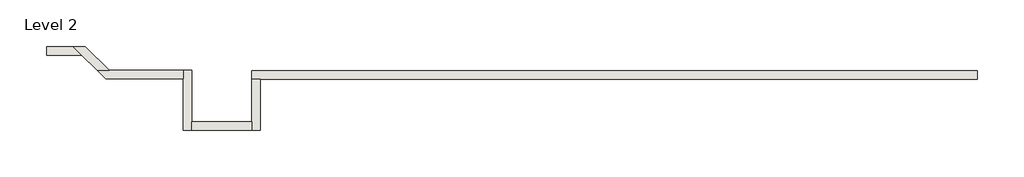
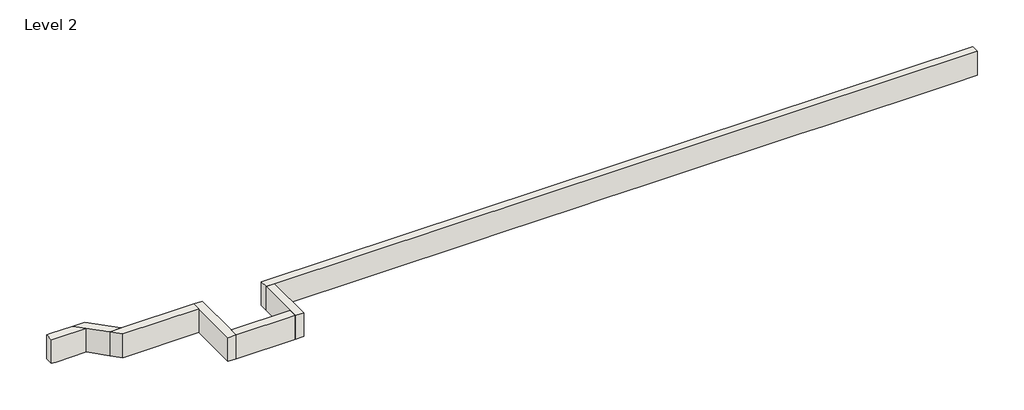
# One storey: 7 walls.
"""IFC4 building model written with IfcOpenShell, lengths in millimetres."""

from ifc_helpers import new_model, si_unit, frame, origin, place, context, project, spatial, polyline, outline, extrude, faceted_brep, element, save

model = new_model("IFC4")

# Units and contexts
model_context = context("Model", 3, world=origin())
ifc_project = project(units=[si_unit("LENGTHUNIT", "METRE", prefix="MILLI")], contexts=[model_context])

# Site, building, storey
site = spatial("IfcSite", under=ifc_project)
building = spatial("IfcBuilding", under=site)
storey = spatial("IfcBuildingStorey", under=building, Name="Level 2", Elevation=3048.0)

# Walls
placement = place(None, origin())
element("IfcWall", 1, ObjectType="Generic - 8\" Brick", at=placement, inside=storey, context=model_context, shape_type="Brep", body=[
    faceted_brep([(18821.357857, 1419.0835878, 3048.0), (18211.757857, 1419.0835878, 3048.0), (15112.957857, 1419.0835878, 3048.0), (14503.357857, 1419.0835878, 3048.0), (11404.557857, 1419.0835878, 3048.0), (10794.957857, 1419.0835878, 3048.0), (9753.557857, 1419.0835878, 3048.0), (9143.957857, 1419.0835878, 3048.0), (7315.157857, 1419.0835878, 3048.0), (6705.557857, 1419.0835878, 3048.0), (1625.5602383, 1419.0835878, 3048.0), (1625.5602383, 1419.0835878, 3657.6), (18821.357857, 1419.0835878, 3657.6), (18821.357857, 1215.8835878, 3048.0), (18821.357857, 1215.8835878, 3657.6), (1828.7602383, 1215.8835878, 3657.6), (1625.5602383, 1215.8835878, 3657.6), (1625.5602383, 1215.8835878, 3048.0), (1828.7602383, 1215.8835878, 3048.0), (6705.557857, 1215.8835878, 3048.0), (7315.157857, 1215.8835878, 3048.0), (9143.957857, 1215.8835878, 3048.0), (9753.557857, 1215.8835878, 3048.0), (10794.957857, 1215.8835878, 3048.0), (11404.557857, 1215.8835878, 3048.0), (14503.357857, 1215.8835878, 3048.0), (15112.957857, 1215.8835878, 3048.0), (18211.757857, 1215.8835878, 3048.0)], [[[0, 1, 2, 3, 4, 5, 6, 7, 8, 9, 10, 11, 12]], [[13, 14, 15, 16, 17, 18, 19, 20, 21, 22, 23, 24, 25, 26, 27]], [[10, 9, 8, 7, 6, 5, 4, 3, 2, 1, 0, 13, 27, 26, 25, 24, 23, 22, 21, 20, 19, 18, 17]], [[12, 11, 16, 15, 14]], [[0, 12, 14, 13]], [[11, 10, 17, 16]]]),
])
element("IfcWall", 2, ObjectType="Generic - 8\" Brick", at=placement, inside=storey, context=model_context, shape_type="Brep", body=[
    faceted_brep([(1625.5602383, 1215.8835878, 3048.0), (1625.5602383, 203.2, 3048.0), (1625.5602383, 0.0, 3048.0), (1625.5602383, 0.0, 3657.6), (1625.5602383, 203.2, 3657.6), (1625.5602383, 1215.8835878, 3657.6), (1828.7602383, 1215.8835878, 3048.0), (1828.7602383, 1215.8835878, 3657.6), (1828.7602383, 0.0, 3657.6), (1828.7602383, 0.0, 3048.0)], [[[0, 1, 2, 3, 4, 5]], [[6, 7, 8, 9]], [[2, 1, 0, 6, 9]], [[5, 4, 3, 8, 7]], [[0, 5, 7, 6]], [[3, 2, 9, 8]]]),
])
element("IfcWall", 3, ObjectType="Generic - 8\" Brick", at=placement, inside=storey, context=model_context, shape_type="SweptSolid", body=[
    extrude(outline(polyline([(203.157857, 203.2), (1625.5602383, 203.2), (1625.5602383, 0.0), (203.157857, 0.0), (203.157857, 203.2)])), frame((0.0, 0.0, 3048.0), z_axis=(0.0, 0.0, 1.0), x_axis=(1.0, 0.0, 0.0)), (0.0, 0.0, 1.0), 609.6),
])
element("IfcWall", 4, ObjectType="Generic - 8\" Brick", at=placement, inside=storey, context=model_context, shape_type="Brep", body=[
    faceted_brep([(203.157857, 0.0, 3048.0), (203.157857, 203.2, 3048.0), (203.157857, 1422.3976187, 3048.0), (203.157857, 1422.3976187, 3657.6), (203.157857, 203.2, 3657.6), (203.157857, 0.0, 3657.6), (-0.042143, 0.0, 3048.0), (-0.042143, 0.0, 3657.6), (-0.042143, 1219.1976187, 3657.6), (-0.042143, 1422.3976187, 3657.6), (-0.042143, 1422.3976187, 3048.0), (-0.042143, 1219.1976187, 3048.0)], [[[0, 1, 2, 3, 4, 5]], [[6, 7, 8, 9, 10, 11]], [[2, 1, 0, 6, 11, 10]], [[5, 4, 3, 9, 8, 7]], [[0, 5, 7, 6]], [[3, 2, 10, 9]]]),
])
element("IfcWall", 5, ObjectType="Generic - 8\" Brick", at=placement, inside=storey, context=model_context, shape_type="Brep", body=[
    faceted_brep([(-0.042143, 1422.3976187, 3048.0), (-1751.1739529, 1422.3976187, 3048.0), (-2038.5421487, 1422.3976187, 3048.0), (-2038.5421487, 1422.3976187, 3657.6), (-1751.1739529, 1422.3976187, 3657.6), (-0.042143, 1422.3976187, 3657.6), (-0.042143, 1219.1976187, 3048.0), (-0.042143, 1219.1976187, 3657.6), (-1835.3421487, 1219.1976187, 3657.6), (-1835.3421487, 1219.1976187, 3048.0)], [[[0, 1, 2, 3, 4, 5]], [[6, 7, 8, 9]], [[2, 1, 0, 6, 9]], [[5, 4, 3, 8, 7]], [[0, 5, 7, 6]], [[3, 2, 9, 8]]]),
])
element("IfcWall", 6, ObjectType="Generic - 8\" Brick", at=placement, inside=storey, context=model_context, shape_type="Brep", body=[
    faceted_brep([(-1751.1739529, 1422.3976187, 3048.0), (-2315.548536, 1986.7722019, 3048.0), (-2315.548536, 1986.7722019, 3657.6), (-1751.1739529, 1422.3976187, 3657.6), (-2038.5421487, 1422.3976187, 3048.0), (-2038.5421487, 1422.3976187, 3657.6), (-2399.7167319, 1783.5722019, 3657.6), (-2602.9167319, 1986.7722019, 3657.6), (-2602.9167319, 1986.7722019, 3048.0), (-2399.7167319, 1783.5722019, 3048.0)], [[[0, 1, 2, 3]], [[4, 5, 6, 7, 8, 9]], [[1, 0, 4, 9, 8]], [[3, 2, 7, 6, 5]], [[2, 1, 8, 7]], [[0, 3, 5, 4]]]),
])
element("IfcWall", 7, ObjectType="Generic - 8\" Brick", at=placement, inside=storey, context=model_context, shape_type="Brep", body=[
    faceted_brep([(-2602.9167319, 1986.7722019, 3048.0), (-3134.8862725, 1986.7722019, 3048.0), (-3236.4862725, 1986.7722019, 3048.0), (-3236.4862725, 1986.7722019, 3657.6), (-3134.8862725, 1986.7722019, 3657.6), (-2602.9167319, 1986.7722019, 3657.6), (-2399.7167319, 1783.5722019, 3048.0), (-2399.7167319, 1783.5722019, 3657.6), (-3134.8862725, 1783.5722019, 3657.6), (-3236.4862725, 1783.5722019, 3657.6), (-3236.4862725, 1783.5722019, 3048.0), (-3134.8862725, 1783.5722019, 3048.0)], [[[0, 1, 2, 3, 4, 5]], [[6, 7, 8, 9, 10, 11]], [[2, 1, 0, 6, 11, 10]], [[3, 2, 10, 9]], [[5, 4, 3, 9, 8, 7]], [[0, 5, 7, 6]]]),
])

save(model, "model.ifc")
